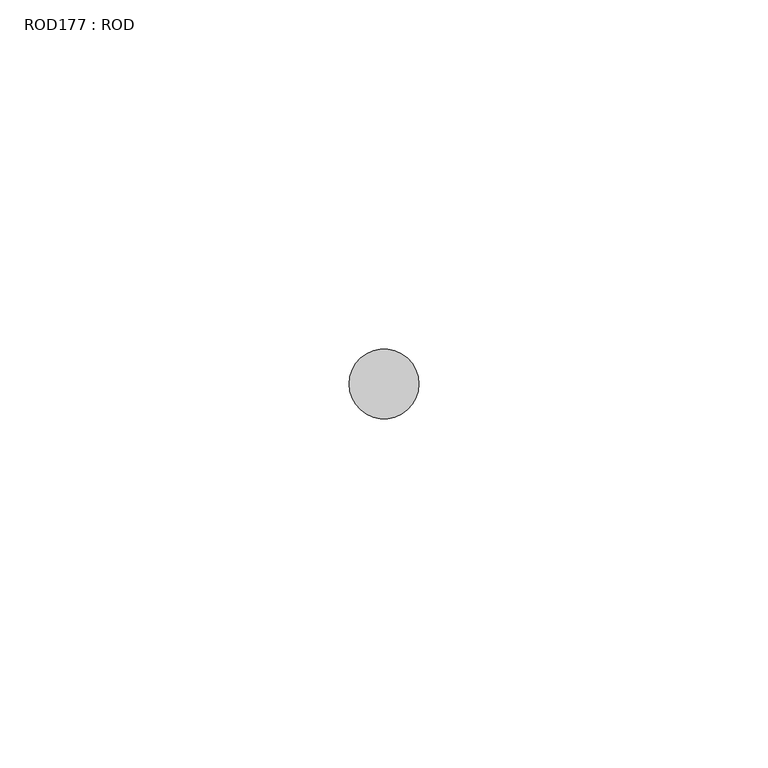
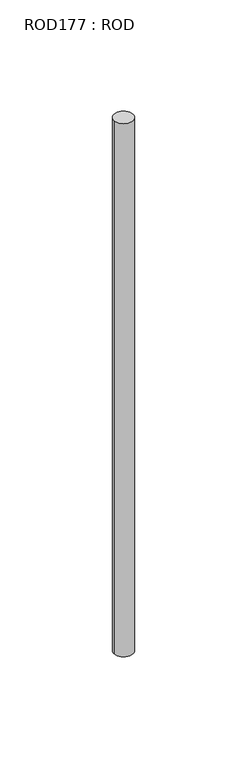
"""IFC4 building model written with IfcOpenShell, lengths in millimetres: proxy geometry, ROD177 : ROD."""

from ifc_helpers import new_model, si_unit, point, frame, frame_2d, origin, place, context, project, spatial, circle_curve, trimmed, segment, composite_curve, outline, extrude, source, transform, mapped, element, save


def rod177_rod_2decf2a7(model_context):
    return source(origin(), model_context, "Body", "SweptSolid", [
        extrude(outline(composite_curve([segment(trimmed(circle_curve(frame_2d((7799.7673324, -21568.1048728)), 5.0), [point((7794.7673324, -21568.1048728))], [point((7804.7673324, -21568.1048728))], False, "CARTESIAN"), True, "CONTINUOUS"), segment(trimmed(circle_curve(frame_2d((7799.7673324, -21568.1048728)), 5.0), [point((7804.7673324, -21568.1048728))], [point((7794.7673324, -21568.1048728))], False, "CARTESIAN"), True, "CONTINUOUS")], self_intersect=False)), frame((0.0, 0.0, 166.3391155), z_axis=(0.0, 0.0, 1.0), x_axis=(1.0, 0.0, 0.0)), (0.0, 0.0, 1.0), 298.9028972),
    ])


if __name__ == "__main__":
    model = new_model("IFC4")
    model_context = context("Model", 3, world=origin())
    ifc_project = project(units=[si_unit("LENGTHUNIT", "METRE", prefix="MILLI")], contexts=[model_context])
    site = spatial("IfcSite", under=ifc_project)
    building = spatial("IfcBuilding", under=site)
    placement = place(None, origin())
    rod177_rod_shape = rod177_rod_2decf2a7(model_context)
    element("IfcBuildingElementProxy", 1, Name="ROD177 : ROD", ObjectType="ROD177 : ROD", at=placement, inside=building, context=model_context, shape_type="MappedRepresentation", body=[
        mapped(rod177_rod_shape, transform((0.0, 0.0, 0.0), x_axis=(1.0, 0.0, 0.0), y_axis=(0.0, 1.0, 0.0), z_axis=(0.0, 0.0, 1.0))),
    ])
    save(model, "model.ifc")
